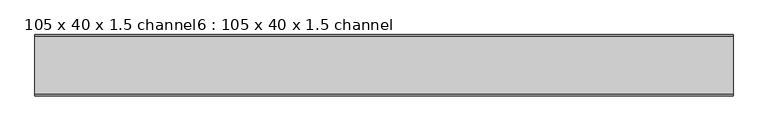
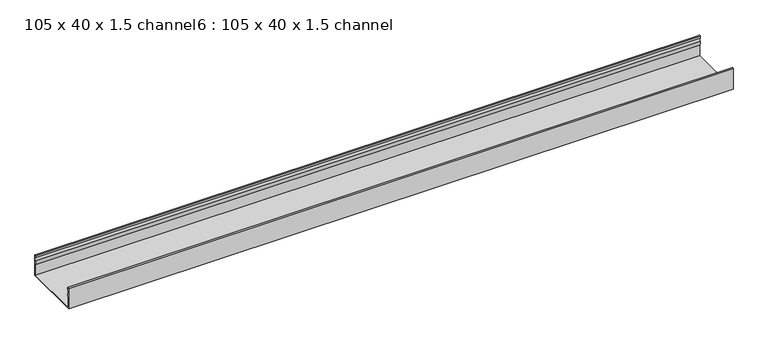
"""IFC4 building model written with IfcOpenShell, lengths in millimetres: proxy geometry, 105 x 40 x 1.5 channel6 : 105 x 40 x 1.5 channel."""

from ifc_helpers import new_model, si_unit, point, frame, frame_2d, origin, place, context, project, spatial, polyline, circle_curve, trimmed, segment, composite_curve, outline, extrude, source, transform, mapped, element, save


def proxy_105_x_40_x_1_5_channel6_105_x_40_x_1_5_channel_4ad7a325(model_context):
    return source(origin(), model_context, "Body", "SweptSolid", [
        extrude(outline(composite_curve([segment(trimmed(circle_curve(frame_2d((-25047.5343538, 32.0)), 10.0), [point((-25037.9590458, 29.1166898))], [point((-25037.9590458, 34.8833102))], True, "CARTESIAN"), True, "CONTINUOUS"), segment(polyline([(-25037.9590458, 34.8833102), (-25038.5343538, 38.8)]), True, "CONTINUOUS"), segment(trimmed(circle_curve(frame_2d((-25037.3343538, 38.8)), 1.2), [point((-25038.5343538, 38.8))], [point((-25036.1343538, 38.8))], False, "CARTESIAN"), True, "CONTINUOUS"), segment(polyline([(-25036.1343538, 38.8), (-25036.1343538, 0.0), (-25141.4343538, 0.0), (-25141.4343538, 38.8)]), True, "CONTINUOUS"), segment(trimmed(circle_curve(frame_2d((-25140.2343538, 38.8)), 1.2), [point((-25141.4343538, 38.8))], [point((-25139.0343538, 38.8))], False, "CARTESIAN"), True, "CONTINUOUS"), segment(polyline([(-25139.0343538, 38.8), (-25139.6096617, 34.8833102)]), True, "CONTINUOUS"), segment(trimmed(circle_curve(frame_2d((-25130.0343538, 32.0)), 10.0), [point((-25139.6096617, 34.8833102))], [point((-25139.6096617, 29.1166898))], True, "CARTESIAN"), True, "CONTINUOUS"), segment(trimmed(circle_curve(frame_2d((-25149.0343538, 25.77376)), 10.0), [point((-25139.6096617, 29.1166898))], [point((-25140.0343538, 21.4148611))], False, "CARTESIAN"), True, "CONTINUOUS"), segment(polyline([(-25140.0343538, 21.4148611), (-25140.0343538, 1.4), (-25037.5343538, 1.4), (-25037.5343538, 21.4148611)]), True, "CONTINUOUS"), segment(trimmed(circle_curve(frame_2d((-25028.5343538, 25.77376)), 10.0), [point((-25037.5343538, 21.4148611))], [point((-25037.9590458, 29.1166898))], False, "CARTESIAN"), True, "CONTINUOUS")], self_intersect=False)), frame((8856.2644406, 0.0, 0.0), z_axis=(1.0, 0.0, 0.0), x_axis=(0.0, 1.0, 0.0)), (0.0, 0.0, 1.0), 1200.1845315),
    ])


if __name__ == "__main__":
    model = new_model("IFC4")
    model_context = context("Model", 3, world=origin())
    ifc_project = project(units=[si_unit("LENGTHUNIT", "METRE", prefix="MILLI")], contexts=[model_context])
    site = spatial("IfcSite", under=ifc_project)
    building = spatial("IfcBuilding", under=site)
    placement = place(None, origin())
    proxy_105_x_40_x_1_5_channel6_105_x_40_x_1_5_channel_shape = proxy_105_x_40_x_1_5_channel6_105_x_40_x_1_5_channel_4ad7a325(model_context)
    element("IfcBuildingElementProxy", 1, Name="105 x 40 x 1.5 channel6 : 105 x 40 x 1.5 channel", ObjectType="105 x 40 x 1.5 channel6 : 105 x 40 x 1.5 channel", at=placement, inside=building, context=model_context, shape_type="MappedRepresentation", body=[
        mapped(proxy_105_x_40_x_1_5_channel6_105_x_40_x_1_5_channel_shape, transform((0.0, 0.0, 0.0), x_axis=(1.0, 0.0, 0.0), y_axis=(0.0, 1.0, 0.0), z_axis=(0.0, 0.0, 1.0))),
    ])
    save(model, "model.ifc")
